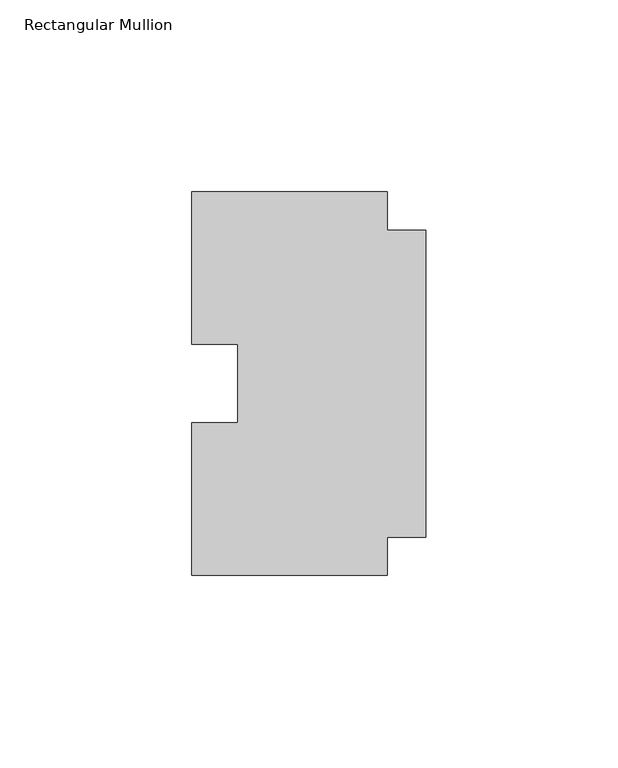
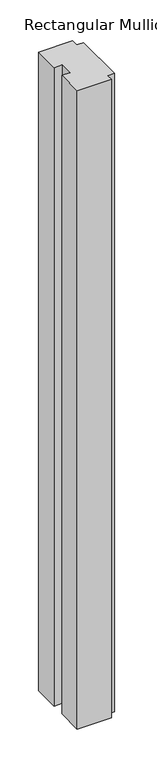
"""IFC4 building model written with IfcOpenShell, lengths in millimetres: member geometry, Rectangular Mullion."""

from ifc_helpers import new_model, si_unit, frame, origin, place, context, project, spatial, polyline, outline, extrude, source, transform, mapped, element, save


def rectangular_mullion_f2f2cbd4(model_context):
    return source(origin(), model_context, "Body", "SweptSolid", [
        extrude(outline(polyline([(-10.0, 40.0), (0.0, 40.0), (0.0, -40.0), (-10.0, -40.0), (-10.0, -50.0), (-61.0, -50.0), (-61.0, -10.25), (-49.0, -10.25), (-49.0, 10.25), (-61.0, 10.25), (-61.0, 50.0), (-10.0, 50.0), (-10.0, 40.0)])), frame((0.0, 0.0, -1006.0000003), z_axis=(0.0, 0.0, 1.0), x_axis=(1.0, 0.0, 0.0)), (0.0, 0.0, 1.0), 1006.0000003),
    ])


if __name__ == "__main__":
    model = new_model("IFC4")
    model_context = context("Model", 3, world=origin())
    ifc_project = project(units=[si_unit("LENGTHUNIT", "METRE", prefix="MILLI")], contexts=[model_context])
    site = spatial("IfcSite", under=ifc_project)
    building = spatial("IfcBuilding", under=site)
    placement = place(None, origin())
    rectangular_mullion_shape = rectangular_mullion_f2f2cbd4(model_context)
    element("IfcMember", 1, ObjectType="Rectangular Mullion", at=placement, inside=building, context=model_context, shape_type="MappedRepresentation", body=[
        mapped(rectangular_mullion_shape, transform((0.0, 0.0, 0.0), x_axis=(1.0, 0.0, 0.0), y_axis=(0.0, 1.0, 0.0), z_axis=(0.0, 0.0, 1.0))),
    ])
    save(model, "model.ifc")
